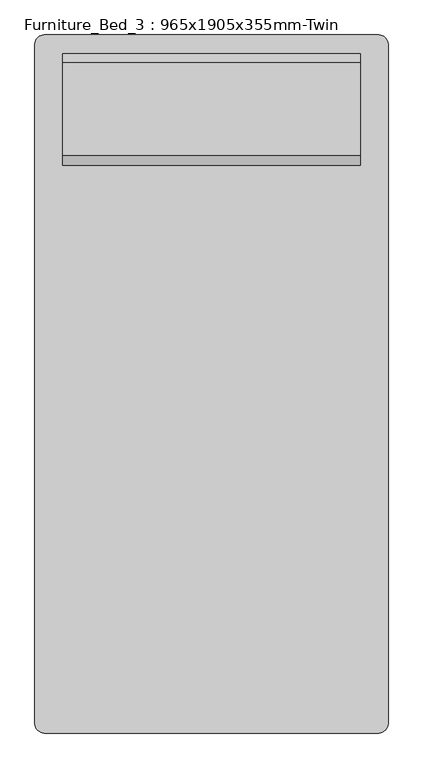
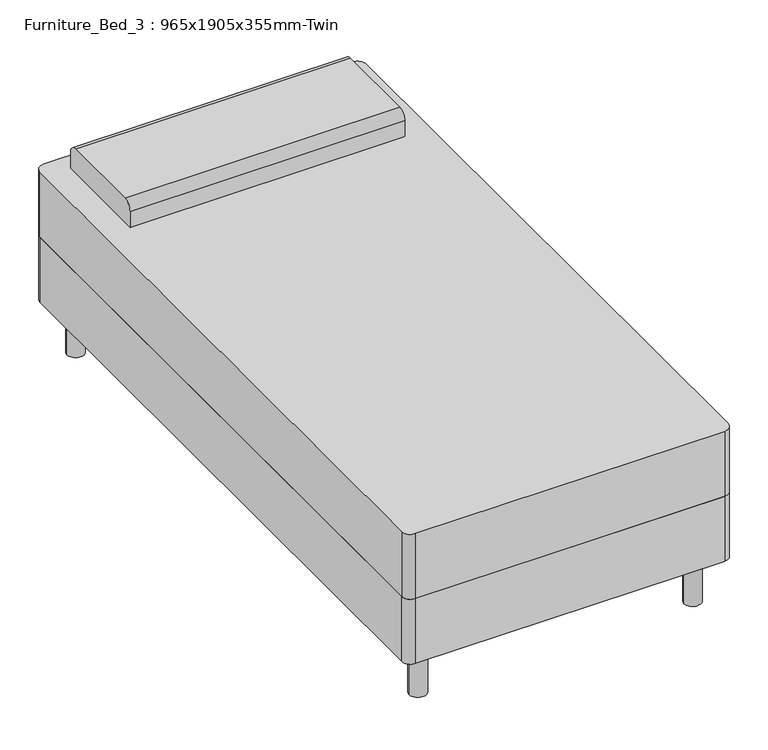
"""IFC4 building model written with IfcOpenShell, lengths in millimetres: furniture geometry, Furniture_Bed_3 : 965x1905x355mm-Twin."""

from ifc_helpers import new_model, si_unit, point, frame, frame_2d, origin, origin_with_axes, place, context, project, spatial, polyline, circle_curve, trimmed, segment, composite_curve, outline, extrude, source, transform, mapped, element, save


def furniture_bed_3_965x1905x355mm_twin_5d2518d7(model_context):
    return source(origin(), model_context, "Body", "SweptSolid", [
        extrude(outline(composite_curve([segment(trimmed(circle_curve(frame_2d((-185.6114754, 881.504918)), 25.4), [point((-211.0114754, 881.504918))], [point((-185.6114754, 906.904918))], False, "CARTESIAN"), True, "CONTINUOUS"), segment(polyline([(-185.6114754, 906.904918), (728.5885246, 906.904918)]), True, "CONTINUOUS"), segment(trimmed(circle_curve(frame_2d((728.5885246, 881.504918)), 25.4), [point((728.5885246, 906.904918))], [point((753.9885246, 881.504918))], False, "CARTESIAN"), True, "CONTINUOUS"), segment(polyline([(753.9885246, 881.504918), (753.9885246, -972.695082)]), True, "CONTINUOUS"), segment(trimmed(circle_curve(frame_2d((728.5885246, -972.695082)), 25.4), [point((753.9885246, -972.695082))], [point((728.5885246, -998.095082))], False, "CARTESIAN"), True, "CONTINUOUS"), segment(polyline([(728.5885246, -998.095082), (-185.6114754, -998.095082)]), True, "CONTINUOUS"), segment(trimmed(circle_curve(frame_2d((-185.6114754, -972.695082)), 25.4), [point((-185.6114754, -998.095082))], [point((-211.0114754, -972.695082))], False, "CARTESIAN"), True, "CONTINUOUS"), segment(polyline([(-211.0114754, -972.695082), (-211.0114754, 881.504918)]), True, "CONTINUOUS")], self_intersect=False)), frame((0.0, 0.0, 355.6), z_axis=(0.0, 0.0, 1.0), x_axis=(1.0, 0.0, 0.0)), (0.0, 0.0, 1.0), 203.2),
        extrude(outline(composite_curve([segment(trimmed(circle_curve(frame_2d((-134.8114754, 830.704918)), 25.4), [point((-160.2114754, 830.704918))], [point((-109.4114754, 830.704918))], False, "CARTESIAN"), True, "CONTINUOUS"), segment(trimmed(circle_curve(frame_2d((-134.8114754, 830.704918)), 25.4), [point((-109.4114754, 830.704918))], [point((-160.2114754, 830.704918))], False, "CARTESIAN"), True, "CONTINUOUS")], self_intersect=False)), origin_with_axes(), (0.0, 0.0, 1.0), 152.4),
        extrude(outline(composite_curve([segment(trimmed(circle_curve(frame_2d((677.7885246, 830.704918)), 25.4), [point((652.3885246, 830.704918))], [point((703.1885246, 830.704918))], False, "CARTESIAN"), True, "CONTINUOUS"), segment(trimmed(circle_curve(frame_2d((677.7885246, 830.704918)), 25.4), [point((703.1885246, 830.704918))], [point((652.3885246, 830.704918))], False, "CARTESIAN"), True, "CONTINUOUS")], self_intersect=False)), origin_with_axes(), (0.0, 0.0, 1.0), 152.4),
        extrude(outline(composite_curve([segment(trimmed(circle_curve(frame_2d((677.7885246, -921.895082)), 25.4), [point((652.3885246, -921.895082))], [point((703.1885246, -921.895082))], False, "CARTESIAN"), True, "CONTINUOUS"), segment(trimmed(circle_curve(frame_2d((677.7885246, -921.895082)), 25.4), [point((703.1885246, -921.895082))], [point((652.3885246, -921.895082))], False, "CARTESIAN"), True, "CONTINUOUS")], self_intersect=False)), origin_with_axes(), (0.0, 0.0, 1.0), 152.4),
        extrude(outline(composite_curve([segment(trimmed(circle_curve(frame_2d((-134.8114754, -921.895082)), 25.4), [point((-160.2114754, -921.895082))], [point((-109.4114754, -921.895082))], False, "CARTESIAN"), True, "CONTINUOUS"), segment(trimmed(circle_curve(frame_2d((-134.8114754, -921.895082)), 25.4), [point((-109.4114754, -921.895082))], [point((-160.2114754, -921.895082))], False, "CARTESIAN"), True, "CONTINUOUS")], self_intersect=False)), origin_with_axes(), (0.0, 0.0, 1.0), 152.4),
        extrude(outline(composite_curve([segment(polyline([(551.304918, 558.8), (551.304918, 609.6)]), True, "CONTINUOUS"), segment(trimmed(circle_curve(frame_2d((576.704918, 609.6)), 25.4), [point((551.304918, 609.6))], [point((576.704918, 635.0))], False, "CARTESIAN"), True, "CONTINUOUS"), segment(polyline([(576.704918, 635.0), (830.704918, 635.0)]), True, "CONTINUOUS"), segment(trimmed(circle_curve(frame_2d((830.704918, 609.6)), 25.4), [point((830.704918, 635.0))], [point((856.104918, 609.6))], False, "CARTESIAN"), True, "CONTINUOUS"), segment(polyline([(856.104918, 609.6), (856.104918, 558.8), (551.304918, 558.8)]), True, "CONTINUOUS")], self_intersect=False)), frame((-134.8114754, 0.0, 0.0), z_axis=(1.0, 0.0, 0.0), x_axis=(0.0, 1.0, 0.0)), (0.0, 0.0, 1.0), 812.6),
        extrude(outline(composite_curve([segment(polyline([(-211.0114754, -972.695082), (-211.0114754, 881.504918)]), True, "CONTINUOUS"), segment(trimmed(circle_curve(frame_2d((-185.6114754, 881.504918)), 25.4), [point((-211.0114754, 881.504918))], [point((-185.6114754, 906.904918))], False, "CARTESIAN"), True, "CONTINUOUS"), segment(polyline([(-185.6114754, 906.904918), (728.5885246, 906.904918)]), True, "CONTINUOUS"), segment(trimmed(circle_curve(frame_2d((728.5885246, 881.504918)), 25.4), [point((728.5885246, 906.904918))], [point((753.9885246, 881.504918))], False, "CARTESIAN"), True, "CONTINUOUS"), segment(polyline([(753.9885246, 881.504918), (753.9885246, -972.695082)]), True, "CONTINUOUS"), segment(trimmed(circle_curve(frame_2d((728.5885246, -972.695082)), 25.4), [point((753.9885246, -972.695082))], [point((728.5885246, -998.095082))], False, "CARTESIAN"), True, "CONTINUOUS"), segment(polyline([(728.5885246, -998.095082), (-185.6114754, -998.095082)]), True, "CONTINUOUS"), segment(trimmed(circle_curve(frame_2d((-185.6114754, -972.695082)), 25.4), [point((-185.6114754, -998.095082))], [point((-211.0114754, -972.695082))], False, "CARTESIAN"), True, "CONTINUOUS")], self_intersect=False)), frame((0.0, 0.0, 152.4), z_axis=(0.0, 0.0, 1.0), x_axis=(1.0, 0.0, 0.0)), (0.0, 0.0, 1.0), 203.2),
    ])


if __name__ == "__main__":
    model = new_model("IFC4")
    model_context = context("Model", 3, world=origin())
    ifc_project = project(units=[si_unit("LENGTHUNIT", "METRE", prefix="MILLI")], contexts=[model_context])
    site = spatial("IfcSite", under=ifc_project)
    building = spatial("IfcBuilding", under=site)
    placement = place(None, origin())
    furniture_bed_3_965x1905x355mm_twin_shape = furniture_bed_3_965x1905x355mm_twin_5d2518d7(model_context)
    element("IfcFurniture", 1, ObjectType="Furniture_Bed_3 : 965x1905x355mm-Twin", at=placement, inside=building, context=model_context, shape_type="MappedRepresentation", body=[
        mapped(furniture_bed_3_965x1905x355mm_twin_shape, transform((0.0, 0.0, 0.0), x_axis=(1.0, 0.0, 0.0), y_axis=(0.0, 1.0, 0.0), z_axis=(0.0, 0.0, 1.0))),
    ])
    save(model, "model.ifc")
